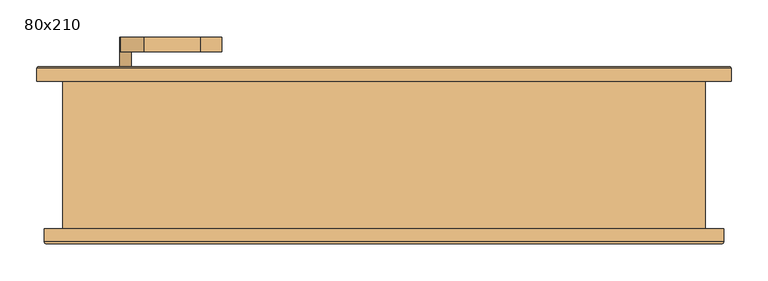
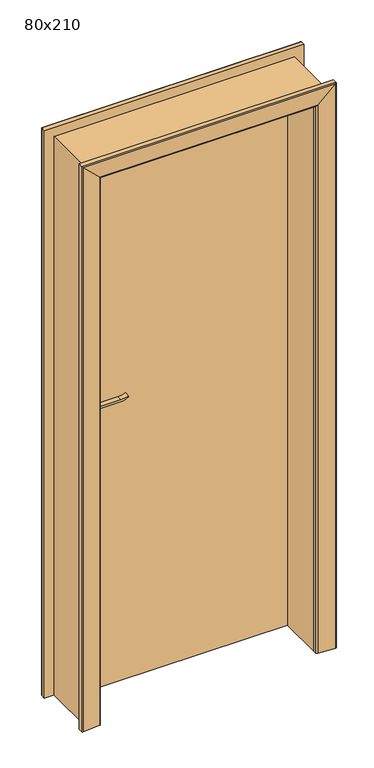
"""IFC4 building model written with IfcOpenShell, lengths in millimetres: door geometry, 80x210."""

from ifc_helpers import new_model, si_unit, point, frame, frame_2d, origin, origin_with_axes, place, context, project, spatial, polyline, circle_curve, ellipse_curve, trimmed, segment, composite_curve, outline, extrude, faceted_brep, source, transform, mapped, element, save
from ifc_brep_helpers import plane_surface, cylinder_surface, advanced_brep


def door_80x210_6e1eb439(model_context):
    return source(origin(), model_context, "Body", "SolidModel", [
        extrude(outline(composite_curve([segment(trimmed(circle_curve(frame_2d((1040.0, -350.0)), 15.0), [point((1040.0, -335.0))], [point((1040.0, -365.0))], False, "CARTESIAN"), True, "CONTINUOUS"), segment(trimmed(circle_curve(frame_2d((1040.0, -350.0)), 15.0), [point((1040.0, -365.0))], [point((1040.0, -335.0))], False, "CARTESIAN"), True, "CONTINUOUS")], self_intersect=False)), frame((0.0, 45.0, 0.0), z_axis=(0.0, 1.0, 0.0), x_axis=(0.0, 0.0, 1.0)), (0.0, 0.0, 1.0), 10.0),
        extrude(outline(composite_curve([segment(trimmed(circle_curve(frame_2d((1040.0, -350.0)), 15.0), [point((1040.0, -335.0))], [point((1040.0, -365.0))], False, "CARTESIAN"), True, "CONTINUOUS"), segment(trimmed(circle_curve(frame_2d((1040.0, -350.0)), 15.0), [point((1040.0, -365.0))], [point((1040.0, -335.0))], False, "CARTESIAN"), True, "CONTINUOUS")], self_intersect=False)), frame((0.0, 110.0, 0.0), z_axis=(0.0, 1.0, 0.0), x_axis=(0.0, 0.0, 1.0)), (0.0, 0.0, 1.0), 10.0),
        extrude(outline(composite_curve([segment(trimmed(circle_curve(frame_2d((1100.0, -350.0)), 8.0), [point((1104.6523287, -356.5081363))], [point((1100.0, -342.0))], False, "CARTESIAN"), True, "CONTINUOUS"), segment(trimmed(circle_curve(frame_2d((1094.8738613, -324.6138099)), 18.1261387), [point((1100.0, -342.0))], [point((1113.0, -324.6138099))], True, "CARTESIAN"), True, "CONTINUOUS"), segment(polyline([(1113.0, -324.6138099), (1113.0, -248.3564091)]), True, "CONTINUOUS"), segment(trimmed(circle_curve(frame_2d((1172.2709207, -251.9396612)), 59.3791355), [point((1113.0, -248.3564091))], [point((1122.2135558, -220.0))], False, "CARTESIAN"), True, "CONTINUOUS"), segment(polyline([(1122.2135558, -220.0), (1125.0, -220.0)]), True, "CONTINUOUS"), segment(trimmed(circle_curve(frame_2d((1203.2850638, -248.4227909)), 83.2850902), [point((1125.0, -220.0))], [point((1120.0, -248.3564091))], True, "CARTESIAN"), True, "CONTINUOUS"), segment(polyline([(1120.0, -248.3564091), (1120.0, -324.6325667)]), True, "CONTINUOUS"), segment(trimmed(circle_curve(frame_2d((1082.7555521, -326.3324871)), 37.2832219), [point((1120.0, -324.6325667))], [point((1104.6523287, -356.5081363))], False, "CARTESIAN"), True, "CONTINUOUS")], self_intersect=False)), frame((0.0, 5.0, 0.0), z_axis=(0.0, 1.0, 0.0), x_axis=(0.0, 0.0, 1.0)), (0.0, 0.0, 1.0), 20.0),
        extrude(outline(composite_curve([segment(trimmed(circle_curve(frame_2d((1094.8738682, -324.6138122)), 18.1261318), [point((1099.9999903, -342.0))], [point((1113.0, -324.6138122))], True, "CARTESIAN"), True, "CONTINUOUS"), segment(polyline([(1113.0, -324.6138122), (1113.0, -248.3564091)]), True, "CONTINUOUS"), segment(trimmed(circle_curve(frame_2d((1172.2709207, -251.9396612)), 59.3791355), [point((1113.0, -248.3564091))], [point((1122.2135558, -220.0))], False, "CARTESIAN"), True, "CONTINUOUS"), segment(polyline([(1122.2135558, -220.0), (1125.0, -220.0)]), True, "CONTINUOUS"), segment(trimmed(circle_curve(frame_2d((1203.2850638, -248.4227909)), 83.2850902), [point((1125.0, -220.0))], [point((1120.0, -248.3564091))], True, "CARTESIAN"), True, "CONTINUOUS"), segment(polyline([(1120.0, -248.3564091), (1120.0, -324.6325667)]), True, "CONTINUOUS"), segment(trimmed(circle_curve(frame_2d((1082.7555521, -326.3324871)), 37.2832219), [point((1120.0, -324.6325667))], [point((1104.6523287, -356.5081363))], False, "CARTESIAN"), True, "CONTINUOUS"), segment(trimmed(circle_curve(frame_2d((1100.0, -350.0)), 8.0), [point((1104.6523287, -356.5081363))], [point((1099.9999903, -342.0))], False, "CARTESIAN"), True, "CONTINUOUS")], self_intersect=False)), frame((0.0, 140.0, 0.0), z_axis=(0.0, 1.0, 0.0), x_axis=(0.0, 0.0, 1.0)), (0.0, 0.0, 1.0), 20.0),
        extrude(outline(composite_curve([segment(trimmed(circle_curve(frame_2d((1100.0, -350.0)), 8.0), [point((1100.0, -342.0))], [point((1100.0, -358.0))], False, "CARTESIAN"), True, "CONTINUOUS"), segment(trimmed(circle_curve(frame_2d((1100.0, -350.0)), 8.0), [point((1100.0, -358.0))], [point((1100.0, -342.0))], False, "CARTESIAN"), True, "CONTINUOUS")], self_intersect=False)), frame((0.0, 25.0, 0.0), z_axis=(0.0, 1.0, 0.0), x_axis=(0.0, 0.0, 1.0)), (0.0, 0.0, 1.0), 30.0),
        extrude(outline(composite_curve([segment(trimmed(circle_curve(frame_2d((1100.0, -350.0)), 8.0), [point((1100.0, -342.0))], [point((1100.0, -358.0))], False, "CARTESIAN"), True, "CONTINUOUS"), segment(trimmed(circle_curve(frame_2d((1100.0, -350.0)), 8.0), [point((1100.0, -358.0))], [point((1100.0, -342.0))], False, "CARTESIAN"), True, "CONTINUOUS")], self_intersect=False)), frame((0.0, 110.0, 0.0), z_axis=(0.0, 1.0, 0.0), x_axis=(0.0, 0.0, 1.0)), (0.0, 0.0, 1.0), 30.0),
        extrude(outline(composite_curve([segment(trimmed(circle_curve(frame_2d((1030.0, -350.0)), 25.0), [point((1030.0, -375.0))], [point((1030.0, -325.0))], False, "CARTESIAN"), True, "CONTINUOUS"), segment(polyline([(1030.0, -325.0), (1100.0, -325.0)]), True, "CONTINUOUS"), segment(trimmed(circle_curve(frame_2d((1100.0, -350.0)), 25.0), [point((1100.0, -325.0))], [point((1100.0, -375.0))], False, "CARTESIAN"), True, "CONTINUOUS"), segment(polyline([(1100.0, -375.0), (1030.0, -375.0)]), True, "CONTINUOUS")], self_intersect=False)), frame((0.0, 55.0, 0.0), z_axis=(0.0, 1.0, 0.0), x_axis=(0.0, 0.0, 1.0)), (0.0, 0.0, 1.0), 10.0),
        extrude(outline(composite_curve([segment(trimmed(circle_curve(frame_2d((1030.0, -350.0)), 25.0), [point((1030.0, -375.0))], [point((1030.0, -325.0))], False, "CARTESIAN"), True, "CONTINUOUS"), segment(polyline([(1030.0, -325.0), (1100.0, -325.0)]), True, "CONTINUOUS"), segment(trimmed(circle_curve(frame_2d((1100.0, -350.0)), 25.0), [point((1100.0, -325.0))], [point((1100.0, -375.0))], False, "CARTESIAN"), True, "CONTINUOUS"), segment(polyline([(1100.0, -375.0), (1030.0, -375.0)]), True, "CONTINUOUS")], self_intersect=False)), frame((0.0, 100.0, 0.0), z_axis=(0.0, 1.0, 0.0), x_axis=(0.0, 0.0, 1.0)), (0.0, 0.0, 1.0), 10.0),
        extrude(outline(polyline([(400.0, 65.0), (-400.0, 65.0), (-400.0, 100.0), (400.0, 100.0), (400.0, 65.0)])), origin_with_axes(), (0.0, 0.0, 1.0), 2100.0),
        advanced_brep(
        [(460.0, -100.0, 0.0), (460.0, -117.3003068, 0.0), (457.3082588, -119.792943, 0.0), (395.0, -115.0, 0.0), (390.0, -110.0, 0.0), (390.0, -100.0, 0.0), (390.0, -100.0, 2090.0), (-390.0, -100.0, 2090.0), (-390.0, -100.0, 0.0), (-460.0, -100.0, 0.0), (-460.0, -100.0, 2160.0), (460.0, -100.0, 2160.0), (390.0, -110.0, 2090.0), (395.0, -115.0, 2095.0), (457.3082588, -119.792943, 2157.3082588), (460.0, -117.3003068, 2160.0), (-460.0, -117.3003068, 0.0), (-460.0, -117.3003068, 2160.0), (-390.0, -110.0, 0.0), (-395.0, -115.0, 0.0), (-457.3082588, -119.792943, 0.0), (-390.0, -110.0, 2090.0), (-457.3082588, -119.792943, 2157.3082588), (-395.0, -115.0, 2095.0)],
        [
            (0, 1),
            (1, 2, circle_curve(frame((457.5, -117.3003068, 0.0), z_axis=(0.0, 0.0, -1.0), x_axis=(0.0, -1.0, 0.0)), 2.5)),
            (2, 3),
            (3, 4, circle_curve(frame((395.0, -110.0, 0.0), z_axis=(0.0, 0.0, -1.0), x_axis=(0.0, -1.0, 0.0)), 5.0)),
            (4, 5),
            (5, 0),
            (5, 6),
            (6, 7),
            (7, 8),
            (8, 9),
            (9, 10),
            (10, 11),
            (11, 0),
            (4, 12),
            (12, 6),
            (3, 13),
            (13, 12, ellipse_curve(frame((395.0, -110.0, 2095.0), z_axis=(0.7071067811865475, 0.0, -0.7071067811865475), x_axis=(-0.7071067811865474, 0.0, -0.7071067811865476)), 7.0710678, 5.0)),
            (2, 14),
            (14, 13),
            (1, 15),
            (15, 14, ellipse_curve(frame((457.5, -117.3003068, 2157.5), z_axis=(0.7071067811865475, 0.0, -0.7071067811865475), x_axis=(-0.7071067811865474, 0.0, -0.7071067811865476)), 3.5355339, 2.5)),
            (11, 15),
            (9, 16),
            (16, 17),
            (17, 10),
            (8, 18),
            (18, 19, circle_curve(frame((-395.0, -110.0, 0.0), z_axis=(0.0, 0.0, -1.0), x_axis=(0.0, -1.0, 0.0)), 5.0)),
            (19, 20),
            (20, 16, circle_curve(frame((-457.5, -117.3003068, 0.0), z_axis=(0.0, 0.0, -1.0), x_axis=(0.0, -1.0, 0.0)), 2.5)),
            (21, 18),
            (7, 21),
            (20, 22),
            (22, 17, ellipse_curve(frame((-457.5, -117.3003068, 2157.5), z_axis=(-0.7071067811865475, 0.0, -0.7071067811865475), x_axis=(-0.7071067811865474, 0.0, 0.7071067811865476)), 3.5355339, 2.5)),
            (19, 23),
            (23, 22),
            (21, 23, ellipse_curve(frame((-395.0, -110.0, 2095.0), z_axis=(-0.7071067811865475, 0.0, -0.7071067811865475), x_axis=(-0.7071067811865474, 0.0, 0.7071067811865476)), 7.0710678, 5.0)),
            (12, 21),
            (13, 23),
            (14, 22),
            (15, 17),
        ],
        [
            plane_surface(frame((390.0, -100.0, 0.0), z_axis=(0.0, 0.0, -1.0), x_axis=(-1.0, 0.0, 0.0))),
            plane_surface(frame((460.0, -100.0, 0.0), z_axis=(0.0, 1.0, 0.0), x_axis=(0.0, 0.0, 1.0))),
            plane_surface(frame((390.0, -100.0, 0.0), z_axis=(-1.0, 0.0, 0.0), x_axis=(0.0, 0.0, 1.0))),
            cylinder_surface(frame((395.0, -110.0, 0.0), z_axis=(0.0, 0.0, -1.0), x_axis=(0.0, -1.0, 0.0)), 5.0),
            plane_surface(frame((395.0, -115.0, 0.0), z_axis=(-0.07669649888474349, -0.9970544855015812, 0.0), x_axis=(0.0, 0.0, 1.0))),
            cylinder_surface(frame((457.5, -117.3003068, 0.0), z_axis=(0.0, 0.0, -1.0), x_axis=(0.0, -1.0, 0.0)), 2.5),
            plane_surface(frame((460.0, -117.3003068, 0.0), z_axis=(1.0, 0.0, 0.0), x_axis=(0.0, 0.0, 1.0))),
            plane_surface(frame((-460.0, -117.3003068, 2160.0), z_axis=(-1.0, 0.0, 0.0), x_axis=(0.0, 0.0, -1.0))),
            plane_surface(frame((-390.0, -100.0, 0.0), z_axis=(0.0, 0.0, -1.0), x_axis=(1.0, 0.0, 0.0))),
            plane_surface(frame((-390.0, -100.0, 2090.0), z_axis=(1.0, 0.0, 0.0), x_axis=(0.0, 0.0, -1.0))),
            cylinder_surface(frame((-457.5, -117.3003068, 2090.0), z_axis=(0.0, 0.0, 1.0), x_axis=(0.0, -1.0, 0.0)), 2.5),
            plane_surface(frame((-395.0, -115.0, 2095.0), z_axis=(0.07669649888474349, -0.9970544855015812, 0.0), x_axis=(0.0, 0.0, -1.0))),
            cylinder_surface(frame((-395.0, -110.0, 2090.0), z_axis=(0.0, 0.0, 1.0), x_axis=(0.0, -1.0, 0.0)), 5.0),
            plane_surface(frame((390.0, -100.0, 2090.0), z_axis=(0.0, 0.0, -1.0), x_axis=(-1.0, 0.0, 0.0))),
            cylinder_surface(frame((390.0, -110.0, 2095.0), z_axis=(1.0, 0.0, 0.0), x_axis=(0.0, -1.0, 0.0)), 5.0),
            plane_surface(frame((395.0, -115.0, 2095.0), z_axis=(0.0, -0.9970544855015812, -0.07669649888474347), x_axis=(-1.0, 0.0, 0.0))),
            cylinder_surface(frame((390.0, -117.3003068, 2157.5), z_axis=(1.0, 0.0, 0.0), x_axis=(0.0, -1.0, 0.0)), 2.5),
            plane_surface(frame((460.0, -117.3003068, 2160.0), z_axis=(0.0, 0.0, 1.0), x_axis=(-1.0, 0.0, 0.0))),
        ],
        [
            (0, [[1, 2, 3, 4, 5, 6]]),
            (1, [[7, 8, 9, 10, 11, 12, 13, -6]]),
            (2, [[14, 15, -7, -5]]),
            (3, [[16, 17, -14, -4]]),
            (4, [[18, 19, -16, -3]]),
            (5, [[20, 21, -18, -2]]),
            (6, [[-13, 22, -20, -1]]),
            (7, [[-11, 23, 24, 25]]),
            (8, [[-10, 26, 27, 28, 29, -23]]),
            (9, [[30, -26, -9, 31]]),
            (10, [[-24, -29, 32, 33]]),
            (11, [[-32, -28, 34, 35]]),
            (12, [[-34, -27, -30, 36]]),
            (13, [[37, -31, -8, -15]]),
            (14, [[38, -36, -37, -17]]),
            (15, [[39, -35, -38, -19]]),
            (16, [[40, -33, -39, -21]]),
            (17, [[-12, -25, -40, -22]]),
        ],
    ),
        advanced_brep(
        [(470.0, 100.0, 0.0), (400.0, 100.0, 0.0), (400.0, 110.0, 0.0), (405.0, 115.0, 0.0), (467.3082588, 119.792943, 0.0), (470.0, 117.3003068, 0.0), (470.0, 117.3003068, 2170.0), (470.0, 100.0, 2170.0), (467.3082588, 119.792943, 2167.3082588), (405.0, 115.0, 2105.0), (400.0, 110.0, 2100.0), (400.0, 100.0, 2100.0), (-470.0, 100.0, 2170.0), (-470.0, 100.0, 0.0), (-400.0, 100.0, 0.0), (-400.0, 100.0, 2100.0), (-400.0, 110.0, 0.0), (-400.0, 110.0, 2100.0), (-470.0, 117.3003068, 0.0), (-467.3082588, 119.792943, 0.0), (-405.0, 115.0, 0.0), (-470.0, 117.3003068, 2170.0), (-405.0, 115.0, 2105.0), (-467.3082588, 119.792943, 2167.3082588)],
        [
            (0, 1),
            (1, 2),
            (2, 3, circle_curve(frame((405.0, 110.0, 0.0), z_axis=(0.0, 0.0, -1.0), x_axis=(0.0, 1.0, 0.0)), 5.0)),
            (3, 4),
            (4, 5, circle_curve(frame((467.5, 117.3003068, 0.0), z_axis=(0.0, 0.0, -1.0), x_axis=(0.0, 1.0, 0.0)), 2.5)),
            (5, 0),
            (5, 6),
            (6, 7),
            (7, 0),
            (4, 8),
            (8, 6, ellipse_curve(frame((467.5, 117.3003068, 2167.5), z_axis=(0.7071067811865474, 0.0, -0.7071067811865476), x_axis=(-0.7071067811865475, 0.0, -0.7071067811865475)), 3.5355339, 2.5)),
            (3, 9),
            (9, 8),
            (2, 10),
            (10, 9, ellipse_curve(frame((405.0, 110.0, 2105.0), z_axis=(0.7071067811865474, 0.0, -0.7071067811865476), x_axis=(-0.7071067811865475, 0.0, -0.7071067811865475)), 7.0710678, 5.0)),
            (1, 11),
            (11, 10),
            (7, 12),
            (12, 13),
            (13, 14),
            (14, 15),
            (15, 11),
            (14, 16),
            (16, 17),
            (17, 15),
            (13, 18),
            (18, 19, circle_curve(frame((-467.5, 117.3003068, 0.0), z_axis=(0.0, 0.0, -1.0), x_axis=(0.0, 1.0, 0.0)), 2.5)),
            (19, 20),
            (20, 16, circle_curve(frame((-405.0, 110.0, 0.0), z_axis=(0.0, 0.0, -1.0), x_axis=(0.0, 1.0, 0.0)), 5.0)),
            (21, 18),
            (12, 21),
            (20, 22),
            (22, 17, ellipse_curve(frame((-405.0, 110.0, 2105.0), z_axis=(-0.7071067811865476, 0.0, -0.7071067811865474), x_axis=(-0.7071067811865471, 0.0, 0.7071067811865478)), 7.0710678, 5.0)),
            (19, 23),
            (23, 22),
            (21, 23, ellipse_curve(frame((-467.5, 117.3003068, 2167.5), z_axis=(-0.7071067811865476, 0.0, -0.7071067811865474), x_axis=(-0.7071067811865471, 0.0, 0.7071067811865478)), 3.5355339, 2.5)),
            (6, 21),
            (8, 23),
            (9, 22),
            (10, 17),
        ],
        [
            plane_surface(frame((400.0, 100.0, 0.0), z_axis=(0.0, 0.0, -1.0), x_axis=(-1.0, 0.0, 0.0))),
            plane_surface(frame((470.0, 100.0, 0.0), z_axis=(1.0, 0.0, 0.0), x_axis=(0.0, 0.0, 1.0))),
            cylinder_surface(frame((467.5, 117.3003068, 0.0), z_axis=(0.0, 0.0, -1.0), x_axis=(0.0, 1.0, 0.0)), 2.5),
            plane_surface(frame((467.3082588, 119.792943, 0.0), z_axis=(-0.07669649888474349, 0.9970544855015812, 0.0), x_axis=(0.0, 0.0, 1.0))),
            cylinder_surface(frame((405.0, 110.0, 0.0), z_axis=(0.0, 0.0, -1.0), x_axis=(0.0, 1.0, 0.0)), 5.0),
            plane_surface(frame((400.0, 110.0, 0.0), z_axis=(-1.0, 0.0, 0.0), x_axis=(0.0, 0.0, 1.0))),
            plane_surface(frame((400.0, 100.0, 0.0), z_axis=(0.0, -1.0, 0.0), x_axis=(0.0, 0.0, 1.0))),
            plane_surface(frame((-400.0, 110.0, 2100.0), z_axis=(1.0, 0.0, 0.0), x_axis=(0.0, 0.0, -1.0))),
            plane_surface(frame((-400.0, 100.0, 0.0), z_axis=(0.0, 0.0, -1.0), x_axis=(1.0, 0.0, 0.0))),
            plane_surface(frame((-470.0, 100.0, 2170.0), z_axis=(-1.0, 0.0, 0.0), x_axis=(0.0, 0.0, -1.0))),
            cylinder_surface(frame((-405.0, 110.0, 2100.0), z_axis=(0.0, 0.0, 1.0), x_axis=(0.0, 1.0, 0.0)), 5.0),
            plane_surface(frame((-467.3082588, 119.792943, 2167.3082588), z_axis=(0.07669649888474349, 0.9970544855015812, 0.0), x_axis=(0.0, 0.0, -1.0))),
            cylinder_surface(frame((-467.5, 117.3003068, 2100.0), z_axis=(0.0, 0.0, 1.0), x_axis=(0.0, 1.0, 0.0)), 2.5),
            plane_surface(frame((470.0, 100.0, 2170.0), z_axis=(0.0, 0.0, 1.0), x_axis=(-1.0, 0.0, 0.0))),
            cylinder_surface(frame((400.0, 117.3003068, 2167.5), z_axis=(1.0, 0.0, 0.0), x_axis=(0.0, 1.0, 0.0)), 2.5),
            plane_surface(frame((467.3082588, 119.792943, 2167.3082588), z_axis=(0.0, 0.9970544855015812, -0.07669649888474349), x_axis=(-1.0, 0.0, 0.0))),
            cylinder_surface(frame((400.0, 110.0, 2105.0), z_axis=(1.0, 0.0, 0.0), x_axis=(0.0, 1.0, 0.0)), 5.0),
            plane_surface(frame((400.0, 110.0, 2100.0), z_axis=(0.0, 0.0, -1.0), x_axis=(-1.0, 0.0, 0.0))),
        ],
        [
            (0, [[1, 2, 3, 4, 5, 6]]),
            (1, [[7, 8, 9, -6]]),
            (2, [[10, 11, -7, -5]]),
            (3, [[12, 13, -10, -4]]),
            (4, [[14, 15, -12, -3]]),
            (5, [[16, 17, -14, -2]]),
            (6, [[-9, 18, 19, 20, 21, 22, -16, -1]]),
            (7, [[-21, 23, 24, 25]]),
            (8, [[26, 27, 28, 29, -23, -20]]),
            (9, [[30, -26, -19, 31]]),
            (10, [[-24, -29, 32, 33]]),
            (11, [[-32, -28, 34, 35]]),
            (12, [[-34, -27, -30, 36]]),
            (13, [[37, -31, -18, -8]]),
            (14, [[38, -36, -37, -11]]),
            (15, [[39, -35, -38, -13]]),
            (16, [[40, -33, -39, -15]]),
            (17, [[-22, -25, -40, -17]]),
        ],
    ),
        faceted_brep([(390.0, -100.0, 0.0), (390.0, 65.0, 0.0), (400.0, 65.0, 0.0), (400.0, 100.0, 0.0), (435.0, 100.0, 0.0), (435.0, -100.0, 0.0), (435.0, -100.0, 2135.0), (-435.0, -100.0, 2135.0), (-435.0, -100.0, 0.0), (-390.0, -100.0, 0.0), (-390.0, -100.0, 2090.0), (390.0, -100.0, 2090.0), (435.0, 100.0, 2135.0), (400.0, 100.0, 2100.0), (-400.0, 100.0, 2100.0), (-400.0, 100.0, 0.0), (-435.0, 100.0, 0.0), (-435.0, 100.0, 2135.0), (400.0, 65.0, 2100.0), (390.0, 65.0, 2090.0), (-390.0, 65.0, 2090.0), (-390.0, 65.0, 0.0), (-400.0, 65.0, 0.0), (-400.0, 65.0, 2100.0)], [[[0, 1, 2, 3, 4, 5]], [[5, 6, 7, 8, 9, 10, 11, 0]], [[4, 12, 6, 5]], [[3, 13, 14, 15, 16, 17, 12, 4]], [[2, 18, 13, 3]], [[1, 19, 20, 21, 22, 23, 18, 2]], [[0, 11, 19, 1]], [[10, 9, 21, 20]], [[9, 8, 16, 15, 22, 21]], [[17, 16, 8, 7]], [[23, 22, 15, 14]], [[12, 17, 7, 6]], [[18, 23, 14, 13]], [[11, 10, 20, 19]]]),
    ])


if __name__ == "__main__":
    model = new_model("IFC4")
    model_context = context("Model", 3, world=origin())
    ifc_project = project(units=[si_unit("LENGTHUNIT", "METRE", prefix="MILLI")], contexts=[model_context])
    site = spatial("IfcSite", under=ifc_project)
    building = spatial("IfcBuilding", under=site)
    placement = place(None, origin())
    door_80x210_shape = door_80x210_6e1eb439(model_context)
    element("IfcDoor", 1, ObjectType="80x210", at=placement, inside=building, context=model_context, shape_type="MappedRepresentation", body=[
        mapped(door_80x210_shape, transform((0.0, 0.0, 0.0), x_axis=(1.0, 0.0, 0.0), y_axis=(0.0, 1.0, 0.0), z_axis=(0.0, 0.0, 1.0))),
    ])
    save(model, "model.ifc")
